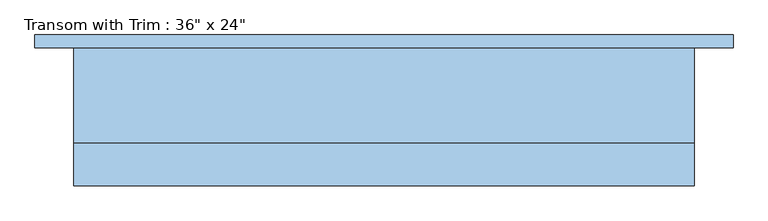
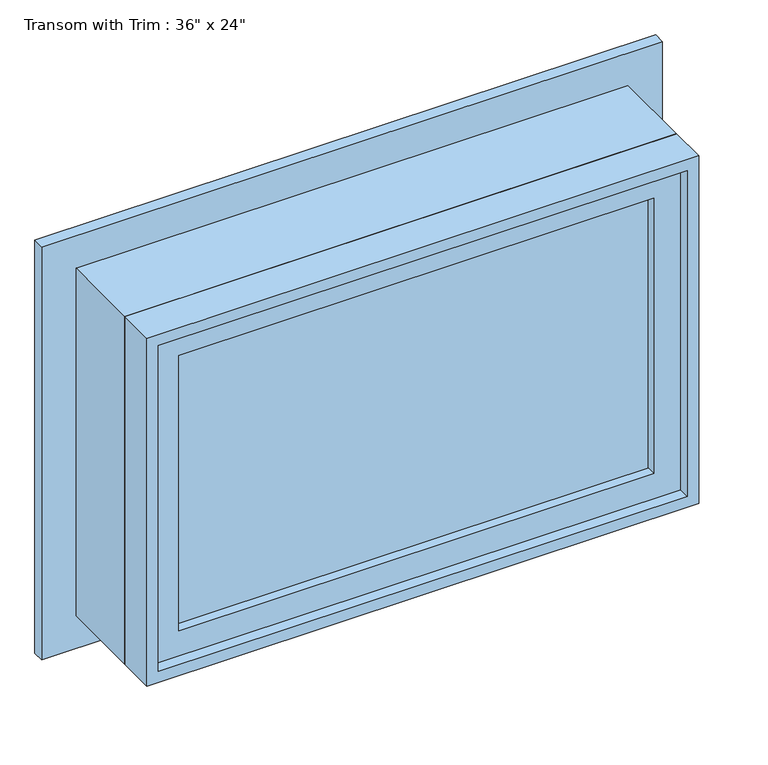
"""IFC4 building model written with IfcOpenShell, lengths in millimetres: window geometry."""

import ifcopenshell
import ifcopenshell.guid

model = None  # the IFC model being written
_history = None  # IfcOwnerHistory: only IFC2X3 demands one
_inside = {}  # id of a spatial element -> (the spatial element, [elements in it])
_under = {}  # id of a project, library or spatial element -> (it, [spatial elements below it])
_declared = {}  # id of a project -> (the project, [libraries it declares])
_typed = {}  # id of a type object -> (the type object, [elements of that type])
_made_of = {}  # id of a material, layer set ... -> (it, [elements and type objects made of it])


def new_model(schema):
    """Start an empty IFC model of exactly this schema.

    Asked for "IFC4X3", IfcOpenShell would pick the latest addendum, in which some entities
    have other attributes; the version numbers below select the first issue.
    IFC2X3 requires an IfcOwnerHistory on every rooted entity: one is made here for all.
    """
    global model, _history
    if schema == "IFC4X3":
        model = ifcopenshell.file(schema_version=(4, 3, 0, 0))
    else:
        model = ifcopenshell.file(schema=schema)
    _inside.clear()
    _under.clear()
    _declared.clear()
    _typed.clear()
    _made_of.clear()
    _history = None
    if model.schema == "IFC2X3":
        org = make("IfcOrganization", Name="unknown")
        user = make(
            "IfcPersonAndOrganization",
            ThePerson=make("IfcPerson", FamilyName="unknown"),
            TheOrganization=org,
        )
        app = make(
            "IfcApplication",
            ApplicationDeveloper=org,
            Version="unknown",
            ApplicationFullName="unknown",
            ApplicationIdentifier="unknown",
        )
        _history = make(
            "IfcOwnerHistory",
            OwningUser=user,
            OwningApplication=app,
            ChangeAction="ADDED",
            CreationDate=0,
        )
    return model


def make(cls, **values):
    """One entity of the class cls with the attributes given. An attribute that is None is left unset."""
    return model.create_entity(
        cls, **{name: value for name, value in values.items() if value is not None}
    )


def rooted(cls, **values):
    """An entity with a GlobalId (a new one), such as an element, a storey or a relation."""
    return make(cls, GlobalId=ifcopenshell.guid.new(), OwnerHistory=_history, **values)


def si_unit(unit_type, name, prefix=None):
    """IfcSIUnit, for example si_unit("LENGTHUNIT", "METRE", prefix="MILLI")."""
    return make("IfcSIUnit", UnitType=unit_type, Prefix=prefix, Name=name)


def assignment(units):
    """IfcUnitAssignment: the units of a project."""
    return None if units is None else make("IfcUnitAssignment", Units=units)


def point(xyz):
    """IfcCartesianPoint."""
    return None if xyz is None else make("IfcCartesianPoint", Coordinates=xyz)


def direction(xyz):
    """IfcDirection."""
    return None if xyz is None else make("IfcDirection", DirectionRatios=xyz)


def frame(location, z_axis=None, x_axis=None):
    """IfcAxis2Placement3D, a coordinate frame: its origin and axes. An axis left out is left unset."""
    return make(
        "IfcAxis2Placement3D",
        Location=point(location),
        Axis=direction(z_axis),
        RefDirection=direction(x_axis),
    )


def origin():
    """The frame at (0, 0, 0) with its axes left unset."""
    return frame((0.0, 0.0, 0.0))


def place(relative_to, where):
    """IfcLocalPlacement: puts the frame where relative to a parent placement (None: the world)."""
    return make(
        "IfcLocalPlacement", PlacementRelTo=relative_to, RelativePlacement=where
    )


def context(
    kind, dimensions, precision=None, world=None, true_north=None, identifier=None
):
    """IfcGeometricRepresentationContext, for example the 3D "Model" context."""
    return make(
        "IfcGeometricRepresentationContext",
        ContextIdentifier=identifier,
        ContextType=kind,
        CoordinateSpaceDimension=dimensions,
        Precision=precision,
        WorldCoordinateSystem=world,
        TrueNorth=true_north,
    )


def project(units=None, contexts=None):
    """IfcProject with its units and contexts."""
    return rooted(
        "IfcProject",
        Name="project",
        RepresentationContexts=contexts,
        UnitsInContext=assignment(units),
    )


def spatial(cls, under=None, at=None, **own):
    """A site, building, storey or space (cls), placed at a placement, below another one or the project."""
    s = rooted(cls, ObjectPlacement=at, **own)
    if under is not None:
        _under.setdefault(under.id(), (under, []))[1].append(s)
    return s


def polyline(points):
    """IfcPolyline through the points."""
    return make("IfcPolyline", Points=[point(p) for p in points])


def outline(outer, holes=None, kind="AREA"):
    """IfcArbitraryClosedProfileDef: a profile drawn as a closed curve; with holes, ...WithVoids."""
    if holes is None:
        return make("IfcArbitraryClosedProfileDef", ProfileType=kind, OuterCurve=outer)
    return make(
        "IfcArbitraryProfileDefWithVoids",
        ProfileType=kind,
        OuterCurve=outer,
        InnerCurves=holes,
    )


def extrude(swept, where, along, depth):
    """IfcExtrudedAreaSolid: the profile swept, set in the frame where, extruded along a direction by depth."""
    return make(
        "IfcExtrudedAreaSolid",
        SweptArea=swept,
        Position=where,
        ExtrudedDirection=direction(along),
        Depth=depth,
    )


def shape(context_of_items, identifier, shape_type, items):
    """IfcShapeRepresentation: the items that make up one representation, for example the "Body"."""
    return make(
        "IfcShapeRepresentation",
        ContextOfItems=context_of_items,
        RepresentationIdentifier=identifier,
        RepresentationType=shape_type,
        Items=items,
    )


def source(mapping_origin, context_of_items, identifier, shape_type, items):
    """IfcRepresentationMap: a shape defined once, which mapped items show again and again."""
    return make(
        "IfcRepresentationMap",
        MappingOrigin=mapping_origin,
        MappedRepresentation=shape(context_of_items, identifier, shape_type, items),
    )


def transform(
    local_origin,
    x_axis=None,
    y_axis=None,
    z_axis=None,
    scale=None,
    scale2=None,
    scale3=None,
    uniform=True,
):
    """IfcCartesianTransformationOperator3D, or its non-uniform kind. x_axis, y_axis, z_axis: its Axis1, 2, 3."""
    if uniform:
        return make(
            "IfcCartesianTransformationOperator3D",
            Axis1=direction(x_axis),
            Axis2=direction(y_axis),
            LocalOrigin=point(local_origin),
            Scale=scale,
            Axis3=direction(z_axis),
        )
    return make(
        "IfcCartesianTransformationOperator3DnonUniform",
        Axis1=direction(x_axis),
        Axis2=direction(y_axis),
        LocalOrigin=point(local_origin),
        Scale=scale,
        Axis3=direction(z_axis),
        Scale2=scale2,
        Scale3=scale3,
    )


def mapped(mapping_source, mapping_target):
    """IfcMappedItem: shows the shape of a source again, moved by a transform."""
    return make(
        "IfcMappedItem", MappingSource=mapping_source, MappingTarget=mapping_target
    )


def made_of(thing, what):
    """Note that an element or type object is made of a material, layer set ...; save() writes the relation."""
    if what is not None:
        _made_of.setdefault(what.id(), (what, []))[1].append(thing)
    return thing


def element(
    cls,
    number,
    at=None,
    inside=None,
    cuts=None,
    type_object=None,
    material=None,
    context=None,
    identifier="Body",
    shape_type=None,
    held_by="IfcProductDefinitionShape",
    body=None,
    shapes=None,
    **own,
):
    """One element of the class cls, such as IfcWall. Its Tag is "e" and its number.

    at: its placement. inside: the storey or other place that contains it. cuts: it is an
    opening in that element (IfcRelVoidsElement). A single representation is given by context,
    identifier, shape_type and body (its items); several are given by shapes. held_by: the class
    of the entity that holds the representations. save() writes the other relations.
    """
    e = rooted(cls, Tag="e%d" % number, ObjectPlacement=at, **own)
    if body is not None:
        shapes = [shape(context, identifier, shape_type, body)]
    if shapes is not None:
        e.Representation = make(held_by, Representations=shapes)
    if inside is not None:
        _inside.setdefault(inside.id(), (inside, []))[1].append(e)
    if cuts is not None:
        rooted(
            "IfcRelVoidsElement", RelatingBuildingElement=cuts, RelatedOpeningElement=e
        )
    if type_object is not None:
        _typed.setdefault(type_object.id(), (type_object, []))[1].append(e)
    return made_of(e, material)


def aggregate(whole, parts):
    """IfcRelAggregates: a whole, such as a stair, and the parts it consists of."""
    return rooted("IfcRelAggregates", RelatingObject=whole, RelatedObjects=parts)


def save(model, path):
    """Write the relations noted so far, then the file.

    IfcRelAggregates (storeys below a building ...), IfcRelContainedInSpatialStructure (elements
    in a storey), IfcRelDefinesByType, IfcRelAssociatesMaterial and IfcRelDeclares: one each for
    every whole, place, type object, material and project.
    """
    for whole, parts in _under.values():
        aggregate(whole, parts)
    for where, things in _inside.values():
        rooted(
            "IfcRelContainedInSpatialStructure",
            RelatedElements=things,
            RelatingStructure=where,
        )
    for kind, things in _typed.values():
        rooted("IfcRelDefinesByType", RelatedObjects=things, RelatingType=kind)
    for what, things in _made_of.values():
        rooted("IfcRelAssociatesMaterial", RelatedObjects=things, RelatingMaterial=what)
    for by, libraries in _declared.values():
        rooted("IfcRelDeclares", RelatingContext=by, RelatedDefinitions=libraries)
    model.write(path)


def window_2f574409(model_context):
    return source(origin(), model_context, "Body", "SweptSolid", [
        extrude(outline(polyline([(2825.75, 476.25), (2825.75, -552.45), (2101.85, -552.45), (2101.85, 476.25), (2825.75, 476.25)]), holes=[polyline([(2736.85, 387.35), (2190.75, 387.35), (2190.75, -463.55), (2736.85, -463.55), (2736.85, 387.35)])]), frame((0.0, 101.6, 0.0), z_axis=(0.0, 1.0, 0.0), x_axis=(0.0, 0.0, 1.0)), (0.0, 0.0, 1.0), 19.05),
        extrude(outline(polyline([(355.6, -53.975), (355.6, -66.675), (-431.8, -66.675), (-431.8, -53.975), (355.6, -53.975)])), frame((0.0, 0.0, 2222.5), z_axis=(0.0, 0.0, 1.0), x_axis=(1.0, 0.0, 0.0)), (0.0, 0.0, 1.0), 482.6),
        extrude(outline(polyline([(2749.55, -476.25), (2178.05, -476.25), (2178.05, 400.05), (2749.55, 400.05), (2749.55, -476.25)]), holes=[polyline([(2705.1, -431.8), (2705.1, 355.6), (2222.5, 355.6), (2222.5, -431.8), (2705.1, -431.8)])]), frame((0.0, -82.55, 0.0), z_axis=(0.0, 1.0, 0.0), x_axis=(0.0, 0.0, 1.0)), (0.0, 0.0, 1.0), 44.45),
        extrude(outline(polyline([(2768.6, -495.3), (2159.0, -495.3), (2159.0, 419.1), (2768.6, 419.1), (2768.6, -495.3)]), holes=[polyline([(2736.85, -463.55), (2736.85, 387.35), (2190.75, 387.35), (2190.75, -463.55), (2736.85, -463.55)])]), frame((0.0, -38.1, 0.0), z_axis=(0.0, 1.0, 0.0), x_axis=(0.0, 0.0, 1.0)), (0.0, 0.0, 1.0), 139.7),
        extrude(outline(polyline([(2768.6, 419.1), (2768.6, -495.3), (2159.0, -495.3), (2159.0, 419.1), (2768.6, 419.1)]), holes=[polyline([(2749.55, 400.05), (2178.05, 400.05), (2178.05, -476.25), (2749.55, -476.25), (2749.55, 400.05)])]), frame((0.0, -101.6, 0.0), z_axis=(0.0, 1.0, 0.0), x_axis=(0.0, 0.0, 1.0)), (0.0, 0.0, 1.0), 63.5),
    ])


if __name__ == "__main__":
    model = new_model("IFC4")
    model_context = context("Model", 3, world=origin())
    ifc_project = project(units=[si_unit("LENGTHUNIT", "METRE", prefix="MILLI")], contexts=[model_context])
    site = spatial("IfcSite", under=ifc_project)
    building = spatial("IfcBuilding", under=site)
    placement = place(None, origin())
    window_shape = window_2f574409(model_context)
    element("IfcWindow", 1, ObjectType="Transom with Trim : 36\" x 24\"", at=placement, inside=building, context=model_context, shape_type="MappedRepresentation", body=[
        mapped(window_shape, transform((0.0, 0.0, 0.0), x_axis=(1.0, 0.0, 0.0), y_axis=(0.0, 1.0, 0.0), z_axis=(0.0, 0.0, 1.0))),
    ])
    save(model, "model.ifc")
